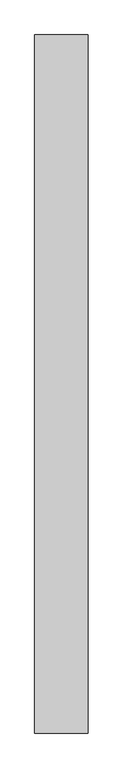
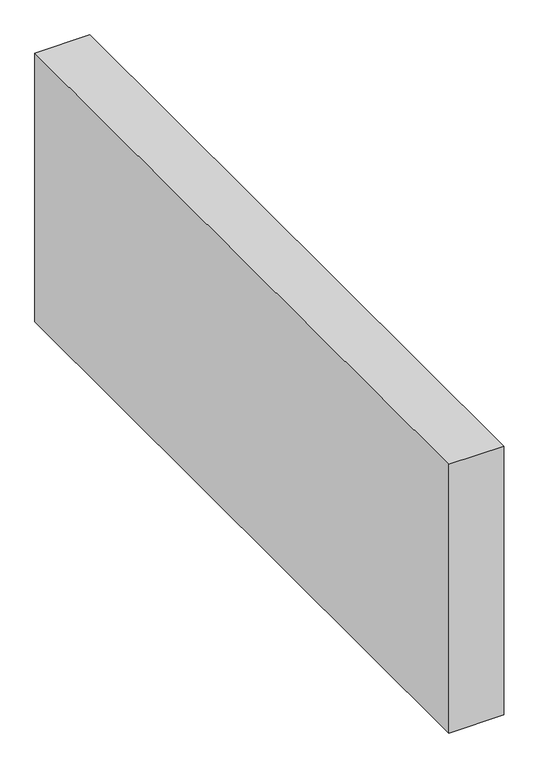
"""IFC4 building model written with IfcOpenShell, lengths in millimetres: proxy geometry."""

from ifc_helpers import new_model, si_unit, origin, origin_with_axes, place, context, project, spatial, polyline, outline, extrude, source, transform, mapped, element, save


def generic_models_7105b0a9(model_context):
    return source(origin(), model_context, "Body", "SweptSolid", [
        extrude(outline(polyline([(150.0, 1959.9018641), (150.0, 0.0), (0.0, 0.0), (0.0, 1959.9018641), (150.0, 1959.9018641)])), origin_with_axes(), (0.0, 0.0, 1.0), 776.6553396),
    ])


if __name__ == "__main__":
    model = new_model("IFC4")
    model_context = context("Model", 3, world=origin())
    ifc_project = project(units=[si_unit("LENGTHUNIT", "METRE", prefix="MILLI")], contexts=[model_context])
    site = spatial("IfcSite", under=ifc_project)
    building = spatial("IfcBuilding", under=site)
    placement = place(None, origin())
    generic_models_shape = generic_models_7105b0a9(model_context)
    element("IfcBuildingElementProxy", 1, Name="Generic Models", at=placement, inside=building, context=model_context, shape_type="MappedRepresentation", body=[
        mapped(generic_models_shape, transform((0.0, 0.0, 0.0), x_axis=(1.0, 0.0, 0.0), y_axis=(0.0, 1.0, 0.0), z_axis=(0.0, 0.0, 1.0))),
    ])
    save(model, "model.ifc")
